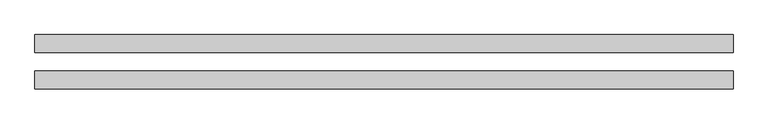
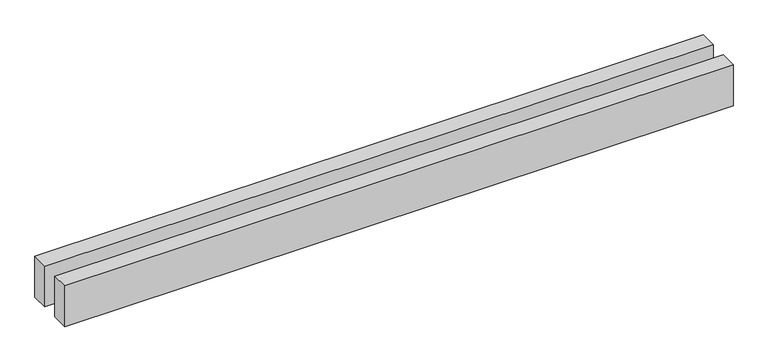
"""IFC4 building model written with IfcOpenShell, lengths in millimetres: proxy geometry."""

from ifc_helpers import new_model, si_unit, origin, origin_with_axes, place, context, project, spatial, polyline, outline, extrude, source, transform, mapped, element, save


def generic_models_6ad729d5(model_context):
    return source(origin(), model_context, "Body", "SweptSolid", [
        extrude(outline(polyline([(7730.6940961, 300.0), (7730.6940961, 100.0), (0.0, 100.0), (0.0, 300.0), (7730.6940961, 300.0)])), origin_with_axes(), (0.0, 0.0, 1.0), 500.0),
        extrude(outline(polyline([(7730.6940961, -100.0), (7730.6940961, -300.0), (0.0, -300.0), (0.0, -100.0), (7730.6940961, -100.0)])), origin_with_axes(), (0.0, 0.0, 1.0), 500.0),
    ])


if __name__ == "__main__":
    model = new_model("IFC4")
    model_context = context("Model", 3, world=origin())
    ifc_project = project(units=[si_unit("LENGTHUNIT", "METRE", prefix="MILLI")], contexts=[model_context])
    site = spatial("IfcSite", under=ifc_project)
    building = spatial("IfcBuilding", under=site)
    placement = place(None, origin())
    generic_models_shape = generic_models_6ad729d5(model_context)
    element("IfcBuildingElementProxy", 1, Name="Generic Models", at=placement, inside=building, context=model_context, shape_type="MappedRepresentation", body=[
        mapped(generic_models_shape, transform((0.0, 0.0, 0.0), x_axis=(1.0, 0.0, 0.0), y_axis=(0.0, 1.0, 0.0), z_axis=(0.0, 0.0, 1.0))),
    ])
    save(model, "model.ifc")
